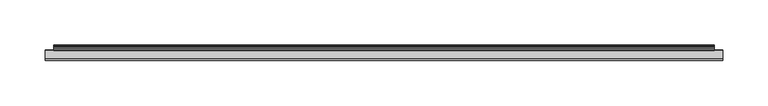
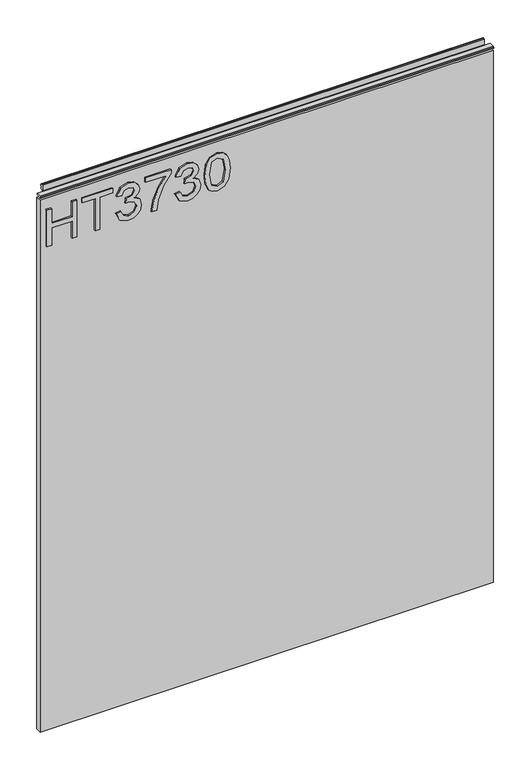
"""IFC4 building model written with IfcOpenShell, lengths in millimetres: furniture geometry."""

from ifc_helpers import new_model, si_unit, frame, origin, place, context, project, spatial, polyline, outline, extrude, source, transform, mapped, element, save


def furniture_58933991(model_context):
    return source(origin(), model_context, "Body", "SweptSolid", [
        extrude(outline(polyline([(951.4078, -288.5795281), (951.4078, -280.6058085), (981.3092486, -280.6058085), (981.3092486, -246.7175001), (951.4078, -246.7175001), (951.4078, -238.7437805), (1015.1975569, -238.7437805), (1015.1975569, -246.7175001), (989.2829682, -246.7175001), (989.2829682, -280.6058085), (1015.1975569, -280.6058085), (1015.1975569, -288.5795281), (951.4078, -288.5795281)])), frame((0.0, -5.6037602, 0.0), z_axis=(0.0, 1.0, 0.0), x_axis=(0.0, 0.0, 1.0)), (0.0, 0.0, 1.0), 2.38125),
        extrude(outline(polyline([(951.4078, -208.8423319), (951.4078, -200.8686123), (1007.2238373, -200.8686123), (1007.2238373, -179.9375983), (1015.1975569, -179.9375983), (1015.1975569, -229.7733459), (1007.2238373, -229.7733459), (1007.2238373, -208.8423319), (951.4078, -208.8423319)])), frame((0.0, -5.6037602, 0.0), z_axis=(0.0, 1.0, 0.0), x_axis=(0.0, 0.0, 1.0)), (0.0, 0.0, 1.0), 2.38125),
        extrude(outline(polyline([(968.3519542, -173.9573086), (955.4102335, -167.6188244), (950.411085, -153.6336678), (951.8750101, -145.1109762), (956.2667854, -138.2001597), (962.7610063, -133.6215004), (970.5322681, -132.0952806), (980.9043331, -135.1477201), (986.355118, -143.8378286), (991.6345925, -137.2968867), (998.9853653, -135.0854254), (1007.0291664, -137.4136893), (1013.0094562, -144.1415152), (1015.1975569, -153.7582571), (1010.7590607, -166.4352254), (998.2534028, -172.9605936), (997.2566878, -164.986874), (1004.7320499, -161.0778826), (1007.2238373, -153.4779311), (1004.7554105, -145.9714216), (998.5181552, -143.0591451), (991.4788558, -147.0771522), (989.2829682, -157.4024962), (981.3092486, -158.2901954), (982.1813742, -152.6992475), (978.91869, -143.6353709), (970.6724312, -140.0690002), (961.920028, -143.6665182), (958.3848047, -153.3533417), (960.9544604, -161.5840269), (969.3486691, -165.983589), (968.3519542, -173.9573086)])), frame((0.0, -5.6037602, 0.0), z_axis=(0.0, 1.0, 0.0), x_axis=(0.0, 0.0, 1.0)), (0.0, 0.0, 1.0), 2.38125),
        extrude(outline(polyline([(1006.2271224, -125.1182759), (1006.2271224, -91.2299675), (989.7268178, -103.283989), (969.3953902, -111.9818843), (951.4078, -115.1511264), (951.4078, -107.1774068), (968.741296, -104.2184093), (990.5989434, -95.1311722), (1007.7533421, -83.2562479), (1014.200842, -83.2562479), (1014.200842, -125.1182759), (1006.2271224, -125.1182759)])), frame((0.0, -5.6037602, 0.0), z_axis=(0.0, 1.0, 0.0), x_axis=(0.0, 0.0, 1.0)), (0.0, 0.0, 1.0), 2.38125),
        extrude(outline(polyline([(968.3519542, -76.2792433), (955.4102335, -69.9407591), (950.411085, -55.9556024), (951.8750101, -47.4329109), (956.2667854, -40.5220944), (962.7610063, -35.943435), (970.5322681, -34.4172153), (980.9043331, -37.4696548), (986.355118, -46.1597633), (991.6345925, -39.6188214), (998.9853653, -37.4073601), (1007.0291664, -39.735624), (1013.0094562, -46.4634499), (1015.1975569, -56.0801918), (1010.7590607, -68.7571601), (998.2534028, -75.2825283), (997.2566878, -67.3088087), (1004.7320499, -63.3998172), (1007.2238373, -55.7998657), (1004.7554105, -48.2933562), (998.5181552, -45.3810797), (991.4788558, -49.3990869), (989.2829682, -59.7244309), (981.3092486, -60.6121301), (982.1813742, -55.0211822), (978.91869, -45.9573056), (970.6724312, -42.3909349), (961.920028, -45.9884529), (958.3848047, -55.6752764), (960.9544604, -63.9059616), (969.3486691, -68.3055236), (968.3519542, -76.2792433)])), frame((0.0, -5.6037602, 0.0), z_axis=(0.0, 1.0, 0.0), x_axis=(0.0, 0.0, 1.0)), (0.0, 0.0, 1.0), 2.38125),
        extrude(outline(polyline([(982.7887473, -27.4402106), (967.2734775, -25.8516961), (956.4848168, -21.0861528), (951.929518, -14.7943896), (950.411085, -6.5091966), (953.9073742, 5.1632699), (964.5130443, 12.1013404), (982.7887473, 14.4218174), (997.7784058, 12.973466), (1007.2160505, 9.2357849), (1013.1418324, 2.8038587), (1015.1975569, -6.5091966), (1011.7246283, -18.1349421), (1001.1423188, -25.0963731), (982.7887473, -27.4402106)]), holes=[polyline([(982.804321, -19.466491), (1002.9566514, -15.6042205), (1007.2238373, -6.6026386), (1002.3804256, 2.8350061), (982.804321, 6.4480978), (963.0179718, 2.7104167), (958.3848047, -6.5091966), (963.0023982, -15.7288099), (982.804321, -19.466491)])]), frame((0.0, -5.6037602, 0.0), z_axis=(0.0, 1.0, 0.0), x_axis=(0.0, 0.0, 1.0)), (0.0, 0.0, 1.0), 2.38125),
        extrude(outline(polyline([(5.5562561, 1041.4), (6.3500061, 1041.4), (6.3500061, 1051.27425), (7.1437561, 1052.068), (8.6677569, 1052.068), (10.0084363, 1051.6506926), (10.875413, 1050.5461816), (10.9623604, 1049.1447591), (10.2390011, 1046.1863459), (10.4046103, 1044.9833307), (11.6746103, 1042.7836103), (10.7786383, 1042.2663244), (7.1437561, 1042.2663244), (7.1437561, 1041.4), (6.3500061, 1041.1669239), (6.3500061, 1033.9578), (5.5562561, 1033.9578), (5.5562561, 1041.4)])), frame((-288.671, 0.0, 0.0), z_axis=(1.0, 0.0, 0.0), x_axis=(0.0, 1.0, 0.0)), (0.0, 0.0, 1.0), 729.742),
        extrude(outline(polyline([(5.5562561, 1041.4), (5.5562561, 1038.2249996), (-3.975094, 1038.2249996), (-5.3492339, 1039.0183657), (-5.3492339, 1040.6066395), (-3.9751037, 1041.4), (5.5562561, 1041.4)])), frame((-298.196, 0.0, 0.0), z_axis=(1.0, 0.0, 0.0), x_axis=(0.0, 1.0, 0.0)), (0.0, 0.0, 1.0), 748.792),
        extrude(outline(polyline([(450.596, 6.3500061), (450.596, -3.1749939), (-298.196, -3.1749939), (-298.196, 6.3500061), (450.596, 6.3500061)])), frame((0.0, 0.0, 104.69626), z_axis=(0.0, 0.0, 1.0), x_axis=(1.0, 0.0, 0.0)), (0.0, 0.0, 1.0), 929.26154),
    ])


if __name__ == "__main__":
    model = new_model("IFC4")
    model_context = context("Model", 3, world=origin())
    ifc_project = project(units=[si_unit("LENGTHUNIT", "METRE", prefix="MILLI")], contexts=[model_context])
    site = spatial("IfcSite", under=ifc_project)
    building = spatial("IfcBuilding", under=site)
    placement = place(None, origin())
    furniture_shape = furniture_58933991(model_context)
    element("IfcFurniture", 1, at=placement, inside=building, context=model_context, shape_type="MappedRepresentation", body=[
        mapped(furniture_shape, transform((0.0, 0.0, 0.0), x_axis=(1.0, 0.0, 0.0), y_axis=(0.0, 1.0, 0.0), z_axis=(0.0, 0.0, 1.0))),
    ])
    save(model, "model.ifc")
